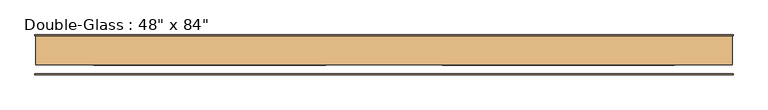
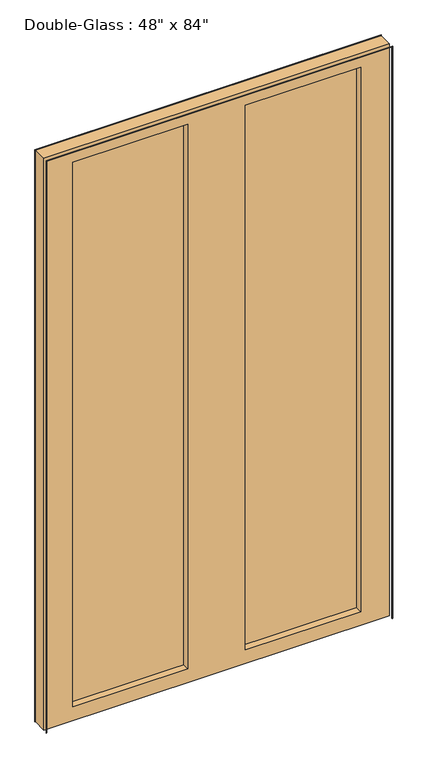
"""IFC4 building model written with IfcOpenShell, lengths in millimetres: door geometry."""

import ifcopenshell
import ifcopenshell.guid

model = None  # the IFC model being written
_history = None  # IfcOwnerHistory: only IFC2X3 demands one
_inside = {}  # id of a spatial element -> (the spatial element, [elements in it])
_under = {}  # id of a project, library or spatial element -> (it, [spatial elements below it])
_declared = {}  # id of a project -> (the project, [libraries it declares])
_typed = {}  # id of a type object -> (the type object, [elements of that type])
_made_of = {}  # id of a material, layer set ... -> (it, [elements and type objects made of it])


def new_model(schema):
    """Start an empty IFC model of exactly this schema.

    Asked for "IFC4X3", IfcOpenShell would pick the latest addendum, in which some entities
    have other attributes; the version numbers below select the first issue.
    IFC2X3 requires an IfcOwnerHistory on every rooted entity: one is made here for all.
    """
    global model, _history
    if schema == "IFC4X3":
        model = ifcopenshell.file(schema_version=(4, 3, 0, 0))
    else:
        model = ifcopenshell.file(schema=schema)
    _inside.clear()
    _under.clear()
    _declared.clear()
    _typed.clear()
    _made_of.clear()
    _history = None
    if model.schema == "IFC2X3":
        org = make("IfcOrganization", Name="unknown")
        user = make(
            "IfcPersonAndOrganization",
            ThePerson=make("IfcPerson", FamilyName="unknown"),
            TheOrganization=org,
        )
        app = make(
            "IfcApplication",
            ApplicationDeveloper=org,
            Version="unknown",
            ApplicationFullName="unknown",
            ApplicationIdentifier="unknown",
        )
        _history = make(
            "IfcOwnerHistory",
            OwningUser=user,
            OwningApplication=app,
            ChangeAction="ADDED",
            CreationDate=0,
        )
    return model


def make(cls, **values):
    """One entity of the class cls with the attributes given. An attribute that is None is left unset."""
    return model.create_entity(
        cls, **{name: value for name, value in values.items() if value is not None}
    )


def rooted(cls, **values):
    """An entity with a GlobalId (a new one), such as an element, a storey or a relation."""
    return make(cls, GlobalId=ifcopenshell.guid.new(), OwnerHistory=_history, **values)


def si_unit(unit_type, name, prefix=None):
    """IfcSIUnit, for example si_unit("LENGTHUNIT", "METRE", prefix="MILLI")."""
    return make("IfcSIUnit", UnitType=unit_type, Prefix=prefix, Name=name)


def assignment(units):
    """IfcUnitAssignment: the units of a project."""
    return None if units is None else make("IfcUnitAssignment", Units=units)


def point(xyz):
    """IfcCartesianPoint."""
    return None if xyz is None else make("IfcCartesianPoint", Coordinates=xyz)


def direction(xyz):
    """IfcDirection."""
    return None if xyz is None else make("IfcDirection", DirectionRatios=xyz)


def frame(location, z_axis=None, x_axis=None):
    """IfcAxis2Placement3D, a coordinate frame: its origin and axes. An axis left out is left unset."""
    return make(
        "IfcAxis2Placement3D",
        Location=point(location),
        Axis=direction(z_axis),
        RefDirection=direction(x_axis),
    )


def origin():
    """The frame at (0, 0, 0) with its axes left unset."""
    return frame((0.0, 0.0, 0.0))


def place(relative_to, where):
    """IfcLocalPlacement: puts the frame where relative to a parent placement (None: the world)."""
    return make(
        "IfcLocalPlacement", PlacementRelTo=relative_to, RelativePlacement=where
    )


def context(
    kind, dimensions, precision=None, world=None, true_north=None, identifier=None
):
    """IfcGeometricRepresentationContext, for example the 3D "Model" context."""
    return make(
        "IfcGeometricRepresentationContext",
        ContextIdentifier=identifier,
        ContextType=kind,
        CoordinateSpaceDimension=dimensions,
        Precision=precision,
        WorldCoordinateSystem=world,
        TrueNorth=true_north,
    )


def project(units=None, contexts=None):
    """IfcProject with its units and contexts."""
    return rooted(
        "IfcProject",
        Name="project",
        RepresentationContexts=contexts,
        UnitsInContext=assignment(units),
    )


def spatial(cls, under=None, at=None, **own):
    """A site, building, storey or space (cls), placed at a placement, below another one or the project."""
    s = rooted(cls, ObjectPlacement=at, **own)
    if under is not None:
        _under.setdefault(under.id(), (under, []))[1].append(s)
    return s


def polyline(points):
    """IfcPolyline through the points."""
    return make("IfcPolyline", Points=[point(p) for p in points])


def outline(outer, holes=None, kind="AREA"):
    """IfcArbitraryClosedProfileDef: a profile drawn as a closed curve; with holes, ...WithVoids."""
    if holes is None:
        return make("IfcArbitraryClosedProfileDef", ProfileType=kind, OuterCurve=outer)
    return make(
        "IfcArbitraryProfileDefWithVoids",
        ProfileType=kind,
        OuterCurve=outer,
        InnerCurves=holes,
    )


def extrude(swept, where, along, depth):
    """IfcExtrudedAreaSolid: the profile swept, set in the frame where, extruded along a direction by depth."""
    return make(
        "IfcExtrudedAreaSolid",
        SweptArea=swept,
        Position=where,
        ExtrudedDirection=direction(along),
        Depth=depth,
    )


def shape(context_of_items, identifier, shape_type, items):
    """IfcShapeRepresentation: the items that make up one representation, for example the "Body"."""
    return make(
        "IfcShapeRepresentation",
        ContextOfItems=context_of_items,
        RepresentationIdentifier=identifier,
        RepresentationType=shape_type,
        Items=items,
    )


def source(mapping_origin, context_of_items, identifier, shape_type, items):
    """IfcRepresentationMap: a shape defined once, which mapped items show again and again."""
    return make(
        "IfcRepresentationMap",
        MappingOrigin=mapping_origin,
        MappedRepresentation=shape(context_of_items, identifier, shape_type, items),
    )


def transform(
    local_origin,
    x_axis=None,
    y_axis=None,
    z_axis=None,
    scale=None,
    scale2=None,
    scale3=None,
    uniform=True,
):
    """IfcCartesianTransformationOperator3D, or its non-uniform kind. x_axis, y_axis, z_axis: its Axis1, 2, 3."""
    if uniform:
        return make(
            "IfcCartesianTransformationOperator3D",
            Axis1=direction(x_axis),
            Axis2=direction(y_axis),
            LocalOrigin=point(local_origin),
            Scale=scale,
            Axis3=direction(z_axis),
        )
    return make(
        "IfcCartesianTransformationOperator3DnonUniform",
        Axis1=direction(x_axis),
        Axis2=direction(y_axis),
        LocalOrigin=point(local_origin),
        Scale=scale,
        Axis3=direction(z_axis),
        Scale2=scale2,
        Scale3=scale3,
    )


def mapped(mapping_source, mapping_target):
    """IfcMappedItem: shows the shape of a source again, moved by a transform."""
    return make(
        "IfcMappedItem", MappingSource=mapping_source, MappingTarget=mapping_target
    )


def made_of(thing, what):
    """Note that an element or type object is made of a material, layer set ...; save() writes the relation."""
    if what is not None:
        _made_of.setdefault(what.id(), (what, []))[1].append(thing)
    return thing


def element(
    cls,
    number,
    at=None,
    inside=None,
    cuts=None,
    type_object=None,
    material=None,
    context=None,
    identifier="Body",
    shape_type=None,
    held_by="IfcProductDefinitionShape",
    body=None,
    shapes=None,
    **own,
):
    """One element of the class cls, such as IfcWall. Its Tag is "e" and its number.

    at: its placement. inside: the storey or other place that contains it. cuts: it is an
    opening in that element (IfcRelVoidsElement). A single representation is given by context,
    identifier, shape_type and body (its items); several are given by shapes. held_by: the class
    of the entity that holds the representations. save() writes the other relations.
    """
    e = rooted(cls, Tag="e%d" % number, ObjectPlacement=at, **own)
    if body is not None:
        shapes = [shape(context, identifier, shape_type, body)]
    if shapes is not None:
        e.Representation = make(held_by, Representations=shapes)
    if inside is not None:
        _inside.setdefault(inside.id(), (inside, []))[1].append(e)
    if cuts is not None:
        rooted(
            "IfcRelVoidsElement", RelatingBuildingElement=cuts, RelatedOpeningElement=e
        )
    if type_object is not None:
        _typed.setdefault(type_object.id(), (type_object, []))[1].append(e)
    return made_of(e, material)


def aggregate(whole, parts):
    """IfcRelAggregates: a whole, such as a stair, and the parts it consists of."""
    return rooted("IfcRelAggregates", RelatingObject=whole, RelatedObjects=parts)


def save(model, path):
    """Write the relations noted so far, then the file.

    IfcRelAggregates (storeys below a building ...), IfcRelContainedInSpatialStructure (elements
    in a storey), IfcRelDefinesByType, IfcRelAssociatesMaterial and IfcRelDeclares: one each for
    every whole, place, type object, material and project.
    """
    for whole, parts in _under.values():
        aggregate(whole, parts)
    for where, things in _inside.values():
        rooted(
            "IfcRelContainedInSpatialStructure",
            RelatedElements=things,
            RelatingStructure=where,
        )
    for kind, things in _typed.values():
        rooted("IfcRelDefinesByType", RelatedObjects=things, RelatingType=kind)
    for what, things in _made_of.values():
        rooted("IfcRelAssociatesMaterial", RelatedObjects=things, RelatingMaterial=what)
    for by, libraries in _declared.values():
        rooted("IfcRelDeclares", RelatingContext=by, RelatedDefinitions=libraries)
    model.write(path)


def door_1614c204(model_context):
    return source(origin(), model_context, "Body", "SweptSolid", [
        extrude(outline(polyline([(0.0, 611.1875), (2135.1875, 611.1875), (2135.1875, -611.1875), (0.0, -611.1875), (0.0, -609.6), (2133.6, -609.6), (2133.6, 609.6), (0.0, 609.6), (0.0, 611.1875)])), frame((0.0, -32.54375, 0.0), z_axis=(0.0, 1.0, 0.0), x_axis=(0.0, 0.0, 1.0)), (0.0, 0.0, 1.0), 1.5875),
        extrude(outline(polyline([(2133.6, 609.6), (0.0, 609.6), (0.0, 611.1875), (2135.1875, 611.1875), (2135.1875, -611.1875), (0.0, -611.1875), (0.0, -609.6), (2133.6, -609.6), (2133.6, 609.6)])), frame((0.0, 35.71875, 0.0), z_axis=(0.0, 1.0, 0.0), x_axis=(0.0, 0.0, 1.0)), (0.0, 0.0, 1.0), 1.5875),
        extrude(outline(polyline([(508.0, 10.31875), (101.6, 10.31875), (101.6, 17.4625), (508.0, 17.4625), (508.0, 10.31875)])), frame((0.0, 0.0, 50.8), z_axis=(0.0, 0.0, 1.0), x_axis=(1.0, 0.0, 0.0)), (0.0, 0.0, 1.0), 2032.0),
        extrude(outline(polyline([(-101.6, 10.31875), (-508.0, 10.31875), (-508.0, 17.4625), (-101.6, 17.4625), (-101.6, 10.31875)])), frame((0.0, 0.0, 50.8), z_axis=(0.0, 0.0, 1.0), x_axis=(1.0, 0.0, 0.0)), (0.0, 0.0, 1.0), 2032.0),
        extrude(outline(polyline([(2133.6, 609.6), (2133.6, -609.6), (0.0, -609.6), (0.0, 609.6), (2133.6, 609.6)]), holes=[polyline([(2082.8, -101.6), (50.8, -101.6), (50.8, -508.0), (2082.8, -508.0), (2082.8, -101.6)]), polyline([(2082.8, 508.0), (50.8, 508.0), (50.8, 101.6), (2082.8, 101.6), (2082.8, 508.0)])]), frame((0.0, -15.08125, 0.0), z_axis=(0.0, 1.0, 0.0), x_axis=(0.0, 0.0, 1.0)), (0.0, 0.0, 1.0), 50.8),
    ])


if __name__ == "__main__":
    model = new_model("IFC4")
    model_context = context("Model", 3, world=origin())
    ifc_project = project(units=[si_unit("LENGTHUNIT", "METRE", prefix="MILLI")], contexts=[model_context])
    site = spatial("IfcSite", under=ifc_project)
    building = spatial("IfcBuilding", under=site)
    placement = place(None, origin())
    door_shape = door_1614c204(model_context)
    element("IfcDoor", 1, ObjectType="Double-Glass : 48\" x 84\"", at=placement, inside=building, context=model_context, shape_type="MappedRepresentation", body=[
        mapped(door_shape, transform((0.0, 0.0, 0.0), x_axis=(1.0, 0.0, 0.0), y_axis=(0.0, 1.0, 0.0), z_axis=(0.0, 0.0, 1.0))),
    ])
    save(model, "model.ifc")
